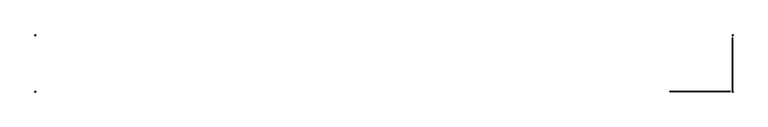
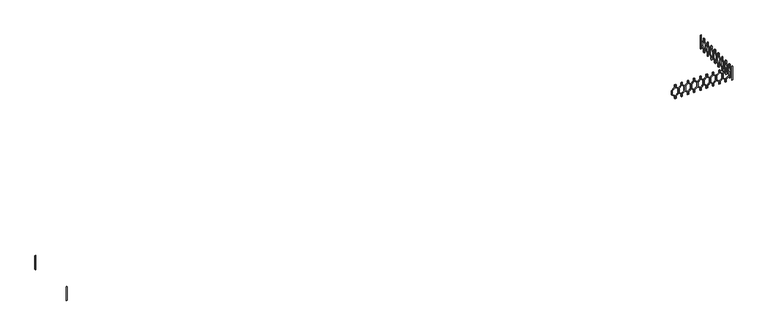
"""IFC4 building model written with IfcOpenShell, lengths in millimetres: railing geometry."""

import ifcopenshell
import ifcopenshell.guid

model = None  # the IFC model being written
_history = None  # IfcOwnerHistory: only IFC2X3 demands one
_inside = {}  # id of a spatial element -> (the spatial element, [elements in it])
_under = {}  # id of a project, library or spatial element -> (it, [spatial elements below it])
_declared = {}  # id of a project -> (the project, [libraries it declares])
_typed = {}  # id of a type object -> (the type object, [elements of that type])
_made_of = {}  # id of a material, layer set ... -> (it, [elements and type objects made of it])


def new_model(schema):
    """Start an empty IFC model of exactly this schema.

    Asked for "IFC4X3", IfcOpenShell would pick the latest addendum, in which some entities
    have other attributes; the version numbers below select the first issue.
    IFC2X3 requires an IfcOwnerHistory on every rooted entity: one is made here for all.
    """
    global model, _history
    if schema == "IFC4X3":
        model = ifcopenshell.file(schema_version=(4, 3, 0, 0))
    else:
        model = ifcopenshell.file(schema=schema)
    _inside.clear()
    _under.clear()
    _declared.clear()
    _typed.clear()
    _made_of.clear()
    _history = None
    if model.schema == "IFC2X3":
        org = make("IfcOrganization", Name="unknown")
        user = make(
            "IfcPersonAndOrganization",
            ThePerson=make("IfcPerson", FamilyName="unknown"),
            TheOrganization=org,
        )
        app = make(
            "IfcApplication",
            ApplicationDeveloper=org,
            Version="unknown",
            ApplicationFullName="unknown",
            ApplicationIdentifier="unknown",
        )
        _history = make(
            "IfcOwnerHistory",
            OwningUser=user,
            OwningApplication=app,
            ChangeAction="ADDED",
            CreationDate=0,
        )
    return model


def make(cls, **values):
    """One entity of the class cls with the attributes given. An attribute that is None is left unset."""
    return model.create_entity(
        cls, **{name: value for name, value in values.items() if value is not None}
    )


def rooted(cls, **values):
    """An entity with a GlobalId (a new one), such as an element, a storey or a relation."""
    return make(cls, GlobalId=ifcopenshell.guid.new(), OwnerHistory=_history, **values)


def si_unit(unit_type, name, prefix=None):
    """IfcSIUnit, for example si_unit("LENGTHUNIT", "METRE", prefix="MILLI")."""
    return make("IfcSIUnit", UnitType=unit_type, Prefix=prefix, Name=name)


def assignment(units):
    """IfcUnitAssignment: the units of a project."""
    return None if units is None else make("IfcUnitAssignment", Units=units)


def point(xyz):
    """IfcCartesianPoint."""
    return None if xyz is None else make("IfcCartesianPoint", Coordinates=xyz)


def direction(xyz):
    """IfcDirection."""
    return None if xyz is None else make("IfcDirection", DirectionRatios=xyz)


def frame(location, z_axis=None, x_axis=None):
    """IfcAxis2Placement3D, a coordinate frame: its origin and axes. An axis left out is left unset."""
    return make(
        "IfcAxis2Placement3D",
        Location=point(location),
        Axis=direction(z_axis),
        RefDirection=direction(x_axis),
    )


def origin():
    """The frame at (0, 0, 0) with its axes left unset."""
    return frame((0.0, 0.0, 0.0))


def place(relative_to, where):
    """IfcLocalPlacement: puts the frame where relative to a parent placement (None: the world)."""
    return make(
        "IfcLocalPlacement", PlacementRelTo=relative_to, RelativePlacement=where
    )


def context(
    kind, dimensions, precision=None, world=None, true_north=None, identifier=None
):
    """IfcGeometricRepresentationContext, for example the 3D "Model" context."""
    return make(
        "IfcGeometricRepresentationContext",
        ContextIdentifier=identifier,
        ContextType=kind,
        CoordinateSpaceDimension=dimensions,
        Precision=precision,
        WorldCoordinateSystem=world,
        TrueNorth=true_north,
    )


def project(units=None, contexts=None):
    """IfcProject with its units and contexts."""
    return rooted(
        "IfcProject",
        Name="project",
        RepresentationContexts=contexts,
        UnitsInContext=assignment(units),
    )


def spatial(cls, under=None, at=None, **own):
    """A site, building, storey or space (cls), placed at a placement, below another one or the project."""
    s = rooted(cls, ObjectPlacement=at, **own)
    if under is not None:
        _under.setdefault(under.id(), (under, []))[1].append(s)
    return s


def polyline(points):
    """IfcPolyline through the points."""
    return make("IfcPolyline", Points=[point(p) for p in points])


def outline(outer, holes=None, kind="AREA"):
    """IfcArbitraryClosedProfileDef: a profile drawn as a closed curve; with holes, ...WithVoids."""
    if holes is None:
        return make("IfcArbitraryClosedProfileDef", ProfileType=kind, OuterCurve=outer)
    return make(
        "IfcArbitraryProfileDefWithVoids",
        ProfileType=kind,
        OuterCurve=outer,
        InnerCurves=holes,
    )


def extrude(swept, where, along, depth):
    """IfcExtrudedAreaSolid: the profile swept, set in the frame where, extruded along a direction by depth."""
    return make(
        "IfcExtrudedAreaSolid",
        SweptArea=swept,
        Position=where,
        ExtrudedDirection=direction(along),
        Depth=depth,
    )


def shape(context_of_items, identifier, shape_type, items):
    """IfcShapeRepresentation: the items that make up one representation, for example the "Body"."""
    return make(
        "IfcShapeRepresentation",
        ContextOfItems=context_of_items,
        RepresentationIdentifier=identifier,
        RepresentationType=shape_type,
        Items=items,
    )


def source(mapping_origin, context_of_items, identifier, shape_type, items):
    """IfcRepresentationMap: a shape defined once, which mapped items show again and again."""
    return make(
        "IfcRepresentationMap",
        MappingOrigin=mapping_origin,
        MappedRepresentation=shape(context_of_items, identifier, shape_type, items),
    )


def transform(
    local_origin,
    x_axis=None,
    y_axis=None,
    z_axis=None,
    scale=None,
    scale2=None,
    scale3=None,
    uniform=True,
):
    """IfcCartesianTransformationOperator3D, or its non-uniform kind. x_axis, y_axis, z_axis: its Axis1, 2, 3."""
    if uniform:
        return make(
            "IfcCartesianTransformationOperator3D",
            Axis1=direction(x_axis),
            Axis2=direction(y_axis),
            LocalOrigin=point(local_origin),
            Scale=scale,
            Axis3=direction(z_axis),
        )
    return make(
        "IfcCartesianTransformationOperator3DnonUniform",
        Axis1=direction(x_axis),
        Axis2=direction(y_axis),
        LocalOrigin=point(local_origin),
        Scale=scale,
        Axis3=direction(z_axis),
        Scale2=scale2,
        Scale3=scale3,
    )


def mapped(mapping_source, mapping_target):
    """IfcMappedItem: shows the shape of a source again, moved by a transform."""
    return make(
        "IfcMappedItem", MappingSource=mapping_source, MappingTarget=mapping_target
    )


def made_of(thing, what):
    """Note that an element or type object is made of a material, layer set ...; save() writes the relation."""
    if what is not None:
        _made_of.setdefault(what.id(), (what, []))[1].append(thing)
    return thing


def element(
    cls,
    number,
    at=None,
    inside=None,
    cuts=None,
    type_object=None,
    material=None,
    context=None,
    identifier="Body",
    shape_type=None,
    held_by="IfcProductDefinitionShape",
    body=None,
    shapes=None,
    **own,
):
    """One element of the class cls, such as IfcWall. Its Tag is "e" and its number.

    at: its placement. inside: the storey or other place that contains it. cuts: it is an
    opening in that element (IfcRelVoidsElement). A single representation is given by context,
    identifier, shape_type and body (its items); several are given by shapes. held_by: the class
    of the entity that holds the representations. save() writes the other relations.
    """
    e = rooted(cls, Tag="e%d" % number, ObjectPlacement=at, **own)
    if body is not None:
        shapes = [shape(context, identifier, shape_type, body)]
    if shapes is not None:
        e.Representation = make(held_by, Representations=shapes)
    if inside is not None:
        _inside.setdefault(inside.id(), (inside, []))[1].append(e)
    if cuts is not None:
        rooted(
            "IfcRelVoidsElement", RelatingBuildingElement=cuts, RelatedOpeningElement=e
        )
    if type_object is not None:
        _typed.setdefault(type_object.id(), (type_object, []))[1].append(e)
    return made_of(e, material)


def aggregate(whole, parts):
    """IfcRelAggregates: a whole, such as a stair, and the parts it consists of."""
    return rooted("IfcRelAggregates", RelatingObject=whole, RelatedObjects=parts)


def save(model, path):
    """Write the relations noted so far, then the file.

    IfcRelAggregates (storeys below a building ...), IfcRelContainedInSpatialStructure (elements
    in a storey), IfcRelDefinesByType, IfcRelAssociatesMaterial and IfcRelDeclares: one each for
    every whole, place, type object, material and project.
    """
    for whole, parts in _under.values():
        aggregate(whole, parts)
    for where, things in _inside.values():
        rooted(
            "IfcRelContainedInSpatialStructure",
            RelatedElements=things,
            RelatingStructure=where,
        )
    for kind, things in _typed.values():
        rooted("IfcRelDefinesByType", RelatedObjects=things, RelatingType=kind)
    for what, things in _made_of.values():
        rooted("IfcRelAssociatesMaterial", RelatedObjects=things, RelatingMaterial=what)
    for by, libraries in _declared.values():
        rooted("IfcRelDeclares", RelatingContext=by, RelatedDefinitions=libraries)
    model.write(path)


def railing_f62c09f6(model_context):
    return source(origin(), model_context, "Body", "SweptSolid", [
        extrude(outline(polyline([(28862.5128869, 40945.0112841), (28862.5128869, 40925.0112841), (28782.5128869, 40925.0112841), (28702.5128869, 40826.0163347), (28562.5128869, 40826.0163347), (28482.5128869, 40925.0112841), (28402.5128869, 40925.0112841), (28402.5128869, 40945.0112841), (28492.0647319, 40945.0112841), (28572.0647319, 40846.0163347), (28692.9610419, 40846.0163347), (28772.9610419, 40945.0112841), (28862.5128869, 40945.0112841)])), frame((0.0, -16741.8920513, 0.0), z_axis=(0.0, 1.0, 0.0), x_axis=(0.0, 0.0, 1.0)), (0.0, 0.0, 1.0), 20.0),
        extrude(outline(polyline([(28862.5128869, 40945.0112841), (28772.9610419, 40945.0112841), (28692.9610419, 41044.0062335), (28572.0647319, 41044.0062335), (28492.0647319, 40945.0112841), (28402.5128869, 40945.0112841), (28402.5128869, 40965.0112841), (28482.5128869, 40965.0112841), (28562.5128869, 41064.0062335), (28702.5128869, 41064.0062335), (28782.5128869, 40965.0112841), (28862.5128869, 40965.0112841), (28862.5128869, 40945.0112841)])), frame((0.0, -16741.8920513, 0.0), z_axis=(0.0, 1.0, 0.0), x_axis=(0.0, 0.0, 1.0)), (0.0, 0.0, 1.0), 20.0),
        extrude(outline(polyline([(28862.5128869, 41145.0112841), (28862.5128869, 41125.0112841), (28782.5128869, 41125.0112841), (28702.5128869, 41026.0163347), (28562.5128869, 41026.0163347), (28482.5128869, 41125.0112841), (28402.5128869, 41125.0112841), (28402.5128869, 41145.0112841), (28492.0647319, 41145.0112841), (28572.0647319, 41046.0163347), (28692.9610419, 41046.0163347), (28772.9610419, 41145.0112841), (28862.5128869, 41145.0112841)])), frame((0.0, -16741.8920513, 0.0), z_axis=(0.0, 1.0, 0.0), x_axis=(0.0, 0.0, 1.0)), (0.0, 0.0, 1.0), 20.0),
        extrude(outline(polyline([(28862.5128869, 41145.0112841), (28772.9610419, 41145.0112841), (28692.9610419, 41244.0062335), (28572.0647319, 41244.0062335), (28492.0647319, 41145.0112841), (28402.5128869, 41145.0112841), (28402.5128869, 41165.0112841), (28482.5128869, 41165.0112841), (28562.5128869, 41264.0062335), (28702.5128869, 41264.0062335), (28782.5128869, 41165.0112841), (28862.5128869, 41165.0112841), (28862.5128869, 41145.0112841)])), frame((0.0, -16741.8920513, 0.0), z_axis=(0.0, 1.0, 0.0), x_axis=(0.0, 0.0, 1.0)), (0.0, 0.0, 1.0), 20.0),
        extrude(outline(polyline([(28862.5128869, 41345.0112841), (28862.5128869, 41325.0112841), (28782.5128869, 41325.0112841), (28702.5128869, 41226.0163347), (28562.5128869, 41226.0163347), (28482.5128869, 41325.0112841), (28402.5128869, 41325.0112841), (28402.5128869, 41345.0112841), (28492.0647319, 41345.0112841), (28572.0647319, 41246.0163347), (28692.9610419, 41246.0163347), (28772.9610419, 41345.0112841), (28862.5128869, 41345.0112841)])), frame((0.0, -16741.8920513, 0.0), z_axis=(0.0, 1.0, 0.0), x_axis=(0.0, 0.0, 1.0)), (0.0, 0.0, 1.0), 20.0),
        extrude(outline(polyline([(28862.5128869, 41345.0112841), (28772.9610419, 41345.0112841), (28692.9610419, 41444.0062335), (28572.0647319, 41444.0062335), (28492.0647319, 41345.0112841), (28402.5128869, 41345.0112841), (28402.5128869, 41365.0112841), (28482.5128869, 41365.0112841), (28562.5128869, 41464.0062335), (28702.5128869, 41464.0062335), (28782.5128869, 41365.0112841), (28862.5128869, 41365.0112841), (28862.5128869, 41345.0112841)])), frame((0.0, -16741.8920513, 0.0), z_axis=(0.0, 1.0, 0.0), x_axis=(0.0, 0.0, 1.0)), (0.0, 0.0, 1.0), 20.0),
        extrude(outline(polyline([(28862.5128869, 41545.0112841), (28862.5128869, 41525.0112841), (28782.5128869, 41525.0112841), (28702.5128869, 41426.0163347), (28562.5128869, 41426.0163347), (28482.5128869, 41525.0112841), (28402.5128869, 41525.0112841), (28402.5128869, 41545.0112841), (28492.0647319, 41545.0112841), (28572.0647319, 41446.0163347), (28692.9610419, 41446.0163347), (28772.9610419, 41545.0112841), (28862.5128869, 41545.0112841)])), frame((0.0, -16741.8920513, 0.0), z_axis=(0.0, 1.0, 0.0), x_axis=(0.0, 0.0, 1.0)), (0.0, 0.0, 1.0), 20.0),
        extrude(outline(polyline([(28862.5128869, 41545.0112841), (28772.9610419, 41545.0112841), (28692.9610419, 41644.0062335), (28572.0647319, 41644.0062335), (28492.0647319, 41545.0112841), (28402.5128869, 41545.0112841), (28402.5128869, 41565.0112841), (28482.5128869, 41565.0112841), (28562.5128869, 41664.0062335), (28702.5128869, 41664.0062335), (28782.5128869, 41565.0112841), (28862.5128869, 41565.0112841), (28862.5128869, 41545.0112841)])), frame((0.0, -16741.8920513, 0.0), z_axis=(0.0, 1.0, 0.0), x_axis=(0.0, 0.0, 1.0)), (0.0, 0.0, 1.0), 20.0),
        extrude(outline(polyline([(28862.5128869, 41745.0112841), (28862.5128869, 41725.0112841), (28782.5128869, 41725.0112841), (28702.5128869, 41626.0163347), (28562.5128869, 41626.0163347), (28482.5128869, 41725.0112841), (28402.5128869, 41725.0112841), (28402.5128869, 41745.0112841), (28492.0647319, 41745.0112841), (28572.0647319, 41646.0163347), (28692.9610419, 41646.0163347), (28772.9610419, 41745.0112841), (28862.5128869, 41745.0112841)])), frame((0.0, -16741.8920513, 0.0), z_axis=(0.0, 1.0, 0.0), x_axis=(0.0, 0.0, 1.0)), (0.0, 0.0, 1.0), 20.0),
        extrude(outline(polyline([(28862.5128869, 41745.0112841), (28772.9610419, 41745.0112841), (28692.9610419, 41844.0062335), (28572.0647319, 41844.0062335), (28492.0647319, 41745.0112841), (28402.5128869, 41745.0112841), (28402.5128869, 41765.0112841), (28482.5128869, 41765.0112841), (28562.5128869, 41864.0062335), (28702.5128869, 41864.0062335), (28782.5128869, 41765.0112841), (28862.5128869, 41765.0112841), (28862.5128869, 41745.0112841)])), frame((0.0, -16741.8920513, 0.0), z_axis=(0.0, 1.0, 0.0), x_axis=(0.0, 0.0, 1.0)), (0.0, 0.0, 1.0), 20.0),
        extrude(outline(polyline([(28862.5128869, 41945.0112841), (28862.5128869, 41925.0112841), (28782.5128869, 41925.0112841), (28702.5128869, 41826.0163347), (28562.5128869, 41826.0163347), (28482.5128869, 41925.0112841), (28402.5128869, 41925.0112841), (28402.5128869, 41945.0112841), (28492.0647319, 41945.0112841), (28572.0647319, 41846.0163347), (28692.9610419, 41846.0163347), (28772.9610419, 41945.0112841), (28862.5128869, 41945.0112841)])), frame((0.0, -16741.8920513, 0.0), z_axis=(0.0, 1.0, 0.0), x_axis=(0.0, 0.0, 1.0)), (0.0, 0.0, 1.0), 20.0),
        extrude(outline(polyline([(28862.5128869, 41945.0112841), (28772.9610419, 41945.0112841), (28692.9610419, 42044.0062335), (28572.0647319, 42044.0062335), (28492.0647319, 41945.0112841), (28402.5128869, 41945.0112841), (28402.5128869, 41965.0112841), (28482.5128869, 41965.0112841), (28562.5128869, 42064.0062335), (28702.5128869, 42064.0062335), (28782.5128869, 41965.0112841), (28862.5128869, 41965.0112841), (28862.5128869, 41945.0112841)])), frame((0.0, -16741.8920513, 0.0), z_axis=(0.0, 1.0, 0.0), x_axis=(0.0, 0.0, 1.0)), (0.0, 0.0, 1.0), 20.0),
        extrude(outline(polyline([(28862.5128869, 42145.0112841), (28862.5128869, 42125.0112841), (28782.5128869, 42125.0112841), (28702.5128869, 42026.0163347), (28562.5128869, 42026.0163347), (28482.5128869, 42125.0112841), (28402.5128869, 42125.0112841), (28402.5128869, 42145.0112841), (28492.0647319, 42145.0112841), (28572.0647319, 42046.0163347), (28692.9610419, 42046.0163347), (28772.9610419, 42145.0112841), (28862.5128869, 42145.0112841)])), frame((0.0, -16741.8920513, 0.0), z_axis=(0.0, 1.0, 0.0), x_axis=(0.0, 0.0, 1.0)), (0.0, 0.0, 1.0), 20.0),
        extrude(outline(polyline([(28862.5128869, 42145.0112841), (28772.9610419, 42145.0112841), (28692.9610419, 42244.0062335), (28572.0647319, 42244.0062335), (28492.0647319, 42145.0112841), (28402.5128869, 42145.0112841), (28402.5128869, 42165.0112841), (28482.5128869, 42165.0112841), (28562.5128869, 42264.0062335), (28702.5128869, 42264.0062335), (28782.5128869, 42165.0112841), (28862.5128869, 42165.0112841), (28862.5128869, 42145.0112841)])), frame((0.0, -16741.8920513, 0.0), z_axis=(0.0, 1.0, 0.0), x_axis=(0.0, 0.0, 1.0)), (0.0, 0.0, 1.0), 20.0),
        extrude(outline(polyline([(28862.5128869, 42345.0112841), (28862.5128869, 42325.0112841), (28782.5128869, 42325.0112841), (28702.5128869, 42226.0163347), (28562.5128869, 42226.0163347), (28482.5128869, 42325.0112841), (28402.5128869, 42325.0112841), (28402.5128869, 42345.0112841), (28492.0647319, 42345.0112841), (28572.0647319, 42246.0163347), (28692.9610419, 42246.0163347), (28772.9610419, 42345.0112841), (28862.5128869, 42345.0112841)])), frame((0.0, -16741.8920513, 0.0), z_axis=(0.0, 1.0, 0.0), x_axis=(0.0, 0.0, 1.0)), (0.0, 0.0, 1.0), 20.0),
        extrude(outline(polyline([(28862.5128869, 42345.0112841), (28772.9610419, 42345.0112841), (28692.9610419, 42444.0062335), (28572.0647319, 42444.0062335), (28492.0647319, 42345.0112841), (28402.5128869, 42345.0112841), (28402.5128869, 42365.0112841), (28482.5128869, 42365.0112841), (28562.5128869, 42464.0062335), (28702.5128869, 42464.0062335), (28782.5128869, 42365.0112841), (28862.5128869, 42365.0112841), (28862.5128869, 42345.0112841)])), frame((0.0, -16741.8920513, 0.0), z_axis=(0.0, 1.0, 0.0), x_axis=(0.0, 0.0, 1.0)), (0.0, 0.0, 1.0), 20.0),
        extrude(outline(polyline([(28862.5128869, 42545.0112841), (28862.5128869, 42525.0112841), (28782.5128869, 42525.0112841), (28702.5128869, 42426.0163347), (28562.5128869, 42426.0163347), (28482.5128869, 42525.0112841), (28402.5128869, 42525.0112841), (28402.5128869, 42545.0112841), (28492.0647319, 42545.0112841), (28572.0647319, 42446.0163347), (28692.9610419, 42446.0163347), (28772.9610419, 42545.0112841), (28862.5128869, 42545.0112841)])), frame((0.0, -16741.8920513, 0.0), z_axis=(0.0, 1.0, 0.0), x_axis=(0.0, 0.0, 1.0)), (0.0, 0.0, 1.0), 20.0),
        extrude(outline(polyline([(28862.5128869, 42545.0112841), (28772.9610419, 42545.0112841), (28692.9610419, 42644.0062335), (28572.0647319, 42644.0062335), (28492.0647319, 42545.0112841), (28402.5128869, 42545.0112841), (28402.5128869, 42565.0112841), (28482.5128869, 42565.0112841), (28562.5128869, 42664.0062335), (28702.5128869, 42664.0062335), (28782.5128869, 42565.0112841), (28862.5128869, 42565.0112841), (28862.5128869, 42545.0112841)])), frame((0.0, -16741.8920513, 0.0), z_axis=(0.0, 1.0, 0.0), x_axis=(0.0, 0.0, 1.0)), (0.0, 0.0, 1.0), 20.0),
        extrude(outline(polyline([(-16616.8920513, 28862.5128869), (-16616.8920513, 28772.9610419), (-16715.8870007, 28692.9610419), (-16715.8870007, 28572.0647319), (-16616.8920513, 28492.0647319), (-16616.8920513, 28402.5128869), (-16636.8920513, 28402.5128869), (-16636.8920513, 28482.5128869), (-16735.8870007, 28562.5128869), (-16735.8870007, 28702.5128869), (-16636.8920513, 28782.5128869), (-16636.8920513, 28862.5128869), (-16616.8920513, 28862.5128869)])), frame((42725.0112841, 0.0, 0.0), z_axis=(1.0, 0.0, 0.0), x_axis=(0.0, 1.0, 0.0)), (0.0, 0.0, 1.0), 20.0),
        extrude(outline(polyline([(-16616.8920513, 28862.5128869), (-16596.8920513, 28862.5128869), (-16596.8920513, 28782.5128869), (-16497.897102, 28702.5128869), (-16497.897102, 28562.5128869), (-16596.8920513, 28482.5128869), (-16596.8920513, 28402.5128869), (-16616.8920513, 28402.5128869), (-16616.8920513, 28492.0647319), (-16517.897102, 28572.0647319), (-16517.897102, 28692.9610419), (-16616.8920513, 28772.9610419), (-16616.8920513, 28862.5128869)])), frame((42725.0112841, 0.0, 0.0), z_axis=(1.0, 0.0, 0.0), x_axis=(0.0, 1.0, 0.0)), (0.0, 0.0, 1.0), 20.0),
        extrude(outline(polyline([(-16416.8920513, 28862.5128869), (-16416.8920513, 28772.9610419), (-16515.8870007, 28692.9610419), (-16515.8870007, 28572.0647319), (-16416.8920513, 28492.0647319), (-16416.8920513, 28402.5128869), (-16436.8920513, 28402.5128869), (-16436.8920513, 28482.5128869), (-16535.8870007, 28562.5128869), (-16535.8870007, 28702.5128869), (-16436.8920513, 28782.5128869), (-16436.8920513, 28862.5128869), (-16416.8920513, 28862.5128869)])), frame((42725.0112841, 0.0, 0.0), z_axis=(1.0, 0.0, 0.0), x_axis=(0.0, 1.0, 0.0)), (0.0, 0.0, 1.0), 20.0),
        extrude(outline(polyline([(-16416.8920513, 28862.5128869), (-16396.8920513, 28862.5128869), (-16396.8920513, 28782.5128869), (-16297.897102, 28702.5128869), (-16297.897102, 28562.5128869), (-16396.8920513, 28482.5128869), (-16396.8920513, 28402.5128869), (-16416.8920513, 28402.5128869), (-16416.8920513, 28492.0647319), (-16317.897102, 28572.0647319), (-16317.897102, 28692.9610419), (-16416.8920513, 28772.9610419), (-16416.8920513, 28862.5128869)])), frame((42725.0112841, 0.0, 0.0), z_axis=(1.0, 0.0, 0.0), x_axis=(0.0, 1.0, 0.0)), (0.0, 0.0, 1.0), 20.0),
        extrude(outline(polyline([(-16216.8920513, 28862.5128869), (-16216.8920513, 28772.9610419), (-16315.8870007, 28692.9610419), (-16315.8870007, 28572.0647319), (-16216.8920513, 28492.0647319), (-16216.8920513, 28402.5128869), (-16236.8920513, 28402.5128869), (-16236.8920513, 28482.5128869), (-16335.8870007, 28562.5128869), (-16335.8870007, 28702.5128869), (-16236.8920513, 28782.5128869), (-16236.8920513, 28862.5128869), (-16216.8920513, 28862.5128869)])), frame((42725.0112841, 0.0, 0.0), z_axis=(1.0, 0.0, 0.0), x_axis=(0.0, 1.0, 0.0)), (0.0, 0.0, 1.0), 20.0),
        extrude(outline(polyline([(-16216.8920513, 28862.5128869), (-16196.8920513, 28862.5128869), (-16196.8920513, 28782.5128869), (-16097.897102, 28702.5128869), (-16097.897102, 28562.5128869), (-16196.8920513, 28482.5128869), (-16196.8920513, 28402.5128869), (-16216.8920513, 28402.5128869), (-16216.8920513, 28492.0647319), (-16117.897102, 28572.0647319), (-16117.897102, 28692.9610419), (-16216.8920513, 28772.9610419), (-16216.8920513, 28862.5128869)])), frame((42725.0112841, 0.0, 0.0), z_axis=(1.0, 0.0, 0.0), x_axis=(0.0, 1.0, 0.0)), (0.0, 0.0, 1.0), 20.0),
        extrude(outline(polyline([(-16016.8920513, 28862.5128869), (-16016.8920513, 28772.9610419), (-16115.8870007, 28692.9610419), (-16115.8870007, 28572.0647319), (-16016.8920513, 28492.0647319), (-16016.8920513, 28402.5128869), (-16036.8920513, 28402.5128869), (-16036.8920513, 28482.5128869), (-16135.8870007, 28562.5128869), (-16135.8870007, 28702.5128869), (-16036.8920513, 28782.5128869), (-16036.8920513, 28862.5128869), (-16016.8920513, 28862.5128869)])), frame((42725.0112841, 0.0, 0.0), z_axis=(1.0, 0.0, 0.0), x_axis=(0.0, 1.0, 0.0)), (0.0, 0.0, 1.0), 20.0),
        extrude(outline(polyline([(-16016.8920513, 28862.5128869), (-15996.8920513, 28862.5128869), (-15996.8920513, 28782.5128869), (-15897.897102, 28702.5128869), (-15897.897102, 28562.5128869), (-15996.8920513, 28482.5128869), (-15996.8920513, 28402.5128869), (-16016.8920513, 28402.5128869), (-16016.8920513, 28492.0647319), (-15917.897102, 28572.0647319), (-15917.897102, 28692.9610419), (-16016.8920513, 28772.9610419), (-16016.8920513, 28862.5128869)])), frame((42725.0112841, 0.0, 0.0), z_axis=(1.0, 0.0, 0.0), x_axis=(0.0, 1.0, 0.0)), (0.0, 0.0, 1.0), 20.0),
        extrude(outline(polyline([(-15816.8920513, 28862.5128869), (-15816.8920513, 28772.9610419), (-15915.8870007, 28692.9610419), (-15915.8870007, 28572.0647319), (-15816.8920513, 28492.0647319), (-15816.8920513, 28402.5128869), (-15836.8920513, 28402.5128869), (-15836.8920513, 28482.5128869), (-15935.8870007, 28562.5128869), (-15935.8870007, 28702.5128869), (-15836.8920513, 28782.5128869), (-15836.8920513, 28862.5128869), (-15816.8920513, 28862.5128869)])), frame((42725.0112841, 0.0, 0.0), z_axis=(1.0, 0.0, 0.0), x_axis=(0.0, 1.0, 0.0)), (0.0, 0.0, 1.0), 20.0),
        extrude(outline(polyline([(-15816.8920513, 28862.5128869), (-15796.8920513, 28862.5128869), (-15796.8920513, 28782.5128869), (-15697.897102, 28702.5128869), (-15697.897102, 28562.5128869), (-15796.8920513, 28482.5128869), (-15796.8920513, 28402.5128869), (-15816.8920513, 28402.5128869), (-15816.8920513, 28492.0647319), (-15717.897102, 28572.0647319), (-15717.897102, 28692.9610419), (-15816.8920513, 28772.9610419), (-15816.8920513, 28862.5128869)])), frame((42725.0112841, 0.0, 0.0), z_axis=(1.0, 0.0, 0.0), x_axis=(0.0, 1.0, 0.0)), (0.0, 0.0, 1.0), 20.0),
        extrude(outline(polyline([(-15616.8920513, 28862.5128869), (-15616.8920513, 28772.9610419), (-15715.8870007, 28692.9610419), (-15715.8870007, 28572.0647319), (-15616.8920513, 28492.0647319), (-15616.8920513, 28402.5128869), (-15636.8920513, 28402.5128869), (-15636.8920513, 28482.5128869), (-15735.8870007, 28562.5128869), (-15735.8870007, 28702.5128869), (-15636.8920513, 28782.5128869), (-15636.8920513, 28862.5128869), (-15616.8920513, 28862.5128869)])), frame((42725.0112841, 0.0, 0.0), z_axis=(1.0, 0.0, 0.0), x_axis=(0.0, 1.0, 0.0)), (0.0, 0.0, 1.0), 20.0),
        extrude(outline(polyline([(-15616.8920513, 28862.5128869), (-15596.8920513, 28862.5128869), (-15596.8920513, 28782.5128869), (-15497.897102, 28702.5128869), (-15497.897102, 28562.5128869), (-15596.8920513, 28482.5128869), (-15596.8920513, 28402.5128869), (-15616.8920513, 28402.5128869), (-15616.8920513, 28492.0647319), (-15517.897102, 28572.0647319), (-15517.897102, 28692.9610419), (-15616.8920513, 28772.9610419), (-15616.8920513, 28862.5128869)])), frame((42725.0112841, 0.0, 0.0), z_axis=(1.0, 0.0, 0.0), x_axis=(0.0, 1.0, 0.0)), (0.0, 0.0, 1.0), 20.0),
        extrude(outline(polyline([(-15416.8920513, 28862.5128869), (-15416.8920513, 28772.9610419), (-15515.8870007, 28692.9610419), (-15515.8870007, 28572.0647319), (-15416.8920513, 28492.0647319), (-15416.8920513, 28402.5128869), (-15436.8920513, 28402.5128869), (-15436.8920513, 28482.5128869), (-15535.8870007, 28562.5128869), (-15535.8870007, 28702.5128869), (-15436.8920513, 28782.5128869), (-15436.8920513, 28862.5128869), (-15416.8920513, 28862.5128869)])), frame((42725.0112841, 0.0, 0.0), z_axis=(1.0, 0.0, 0.0), x_axis=(0.0, 1.0, 0.0)), (0.0, 0.0, 1.0), 20.0),
        extrude(outline(polyline([(-15416.8920513, 28862.5128869), (-15396.8920513, 28862.5128869), (-15396.8920513, 28782.5128869), (-15297.897102, 28702.5128869), (-15297.897102, 28562.5128869), (-15396.8920513, 28482.5128869), (-15396.8920513, 28402.5128869), (-15416.8920513, 28402.5128869), (-15416.8920513, 28492.0647319), (-15317.897102, 28572.0647319), (-15317.897102, 28692.9610419), (-15416.8920513, 28772.9610419), (-15416.8920513, 28862.5128869)])), frame((42725.0112841, 0.0, 0.0), z_axis=(1.0, 0.0, 0.0), x_axis=(0.0, 1.0, 0.0)), (0.0, 0.0, 1.0), 20.0),
        extrude(outline(polyline([(-15216.8920513, 28862.5128869), (-15216.8920513, 28772.9610419), (-15315.8870007, 28692.9610419), (-15315.8870007, 28572.0647319), (-15216.8920513, 28492.0647319), (-15216.8920513, 28402.5128869), (-15236.8920513, 28402.5128869), (-15236.8920513, 28482.5128869), (-15335.8870007, 28562.5128869), (-15335.8870007, 28702.5128869), (-15236.8920513, 28782.5128869), (-15236.8920513, 28862.5128869), (-15216.8920513, 28862.5128869)])), frame((42725.0112841, 0.0, 0.0), z_axis=(1.0, 0.0, 0.0), x_axis=(0.0, 1.0, 0.0)), (0.0, 0.0, 1.0), 20.0),
        extrude(outline(polyline([(-15216.8920513, 28862.5128869), (-15196.8920513, 28862.5128869), (-15196.8920513, 28782.5128869), (-15097.897102, 28702.5128869), (-15097.897102, 28562.5128869), (-15196.8920513, 28482.5128869), (-15196.8920513, 28402.5128869), (-15216.8920513, 28402.5128869), (-15216.8920513, 28492.0647319), (-15117.897102, 28572.0647319), (-15117.897102, 28692.9610419), (-15216.8920513, 28772.9610419), (-15216.8920513, 28862.5128869)])), frame((42725.0112841, 0.0, 0.0), z_axis=(1.0, 0.0, 0.0), x_axis=(0.0, 1.0, 0.0)), (0.0, 0.0, 1.0), 20.0),
        extrude(outline(polyline([(21585.0112841, -16751.8920513), (21565.0112841, -16751.8920513), (21565.0112841, -16731.8920513), (21585.0112841, -16731.8920513), (21585.0112841, -16751.8920513)])), frame((0.0, 0.0, 28402.5128869), z_axis=(0.0, 0.0, 1.0), x_axis=(1.0, 0.0, 0.0)), (0.0, 0.0, 1.0), 460.0),
        extrude(outline(polyline([(42755.0112841, -16731.8920513), (42755.0112841, -16751.8920513), (42735.0112841, -16751.8920513), (42735.0112841, -16731.8920513), (42755.0112841, -16731.8920513)])), frame((0.0, 0.0, 28402.5128869), z_axis=(0.0, 0.0, 1.0), x_axis=(1.0, 0.0, 0.0)), (0.0, 0.0, 1.0), 460.0),
        extrude(outline(polyline([(21565.0112841, -15036.8920513), (21565.0112841, -15016.8920513), (21585.0112841, -15016.8920513), (21585.0112841, -15036.8920513), (21565.0112841, -15036.8920513)])), frame((0.0, 0.0, 28402.5128869), z_axis=(0.0, 0.0, 1.0), x_axis=(1.0, 0.0, 0.0)), (0.0, 0.0, 1.0), 460.0),
        extrude(outline(polyline([(42755.0112841, -15016.8920513), (42755.0112841, -15036.8920513), (42735.0112841, -15036.8920513), (42735.0112841, -15016.8920513), (42755.0112841, -15016.8920513)])), frame((0.0, 0.0, 28402.5128869), z_axis=(0.0, 0.0, 1.0), x_axis=(1.0, 0.0, 0.0)), (0.0, 0.0, 1.0), 460.0),
    ])


if __name__ == "__main__":
    model = new_model("IFC4")
    model_context = context("Model", 3, world=origin())
    ifc_project = project(units=[si_unit("LENGTHUNIT", "METRE", prefix="MILLI")], contexts=[model_context])
    site = spatial("IfcSite", under=ifc_project)
    building = spatial("IfcBuilding", under=site)
    placement = place(None, origin())
    railing_shape = railing_f62c09f6(model_context)
    element("IfcRailing", 1, at=placement, inside=building, context=model_context, shape_type="MappedRepresentation", body=[
        mapped(railing_shape, transform((0.0, 0.0, 0.0), x_axis=(1.0, 0.0, 0.0), y_axis=(0.0, 1.0, 0.0), z_axis=(0.0, 0.0, 1.0))),
    ])
    save(model, "model.ifc")
